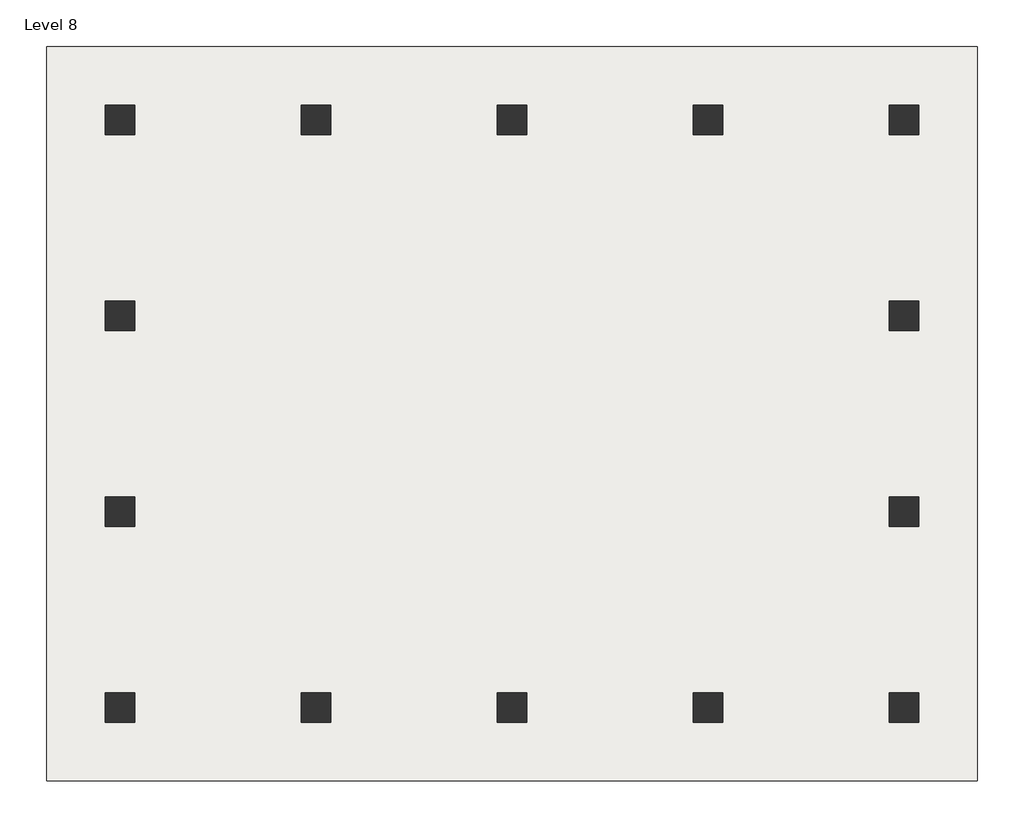
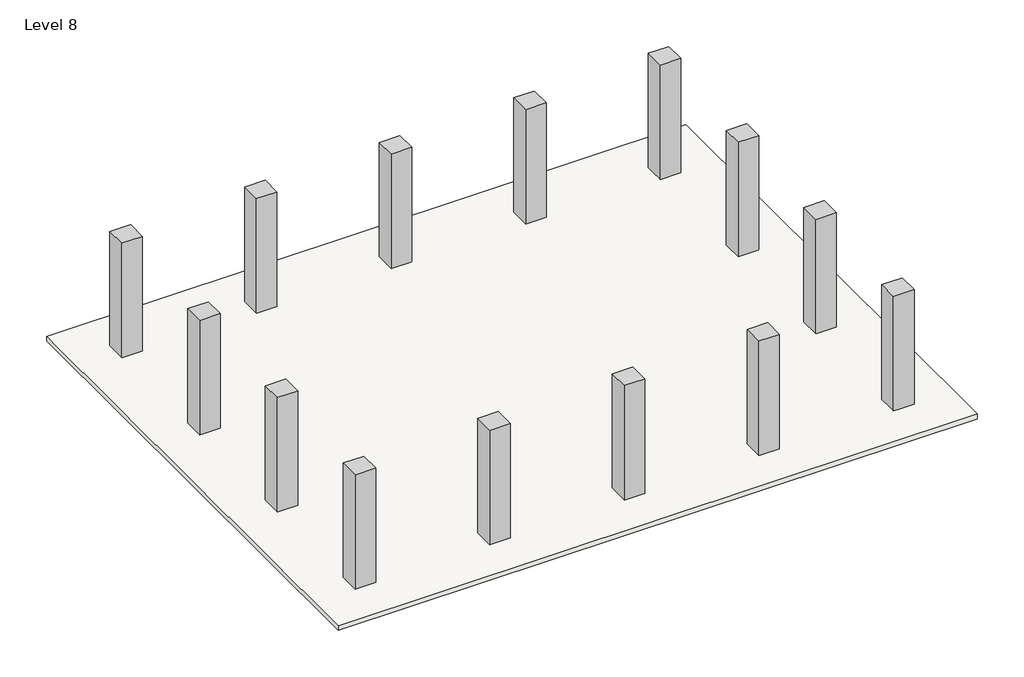
# One storey: 14 columns, 1 slab.
"""IFC4 building model written with IfcOpenShell, lengths in millimetres."""

from ifc_helpers import new_model, si_unit, frame, origin, place, context, project, spatial, polyline, outline, extrude, element, save

model = new_model("IFC4")

# Units and contexts
model_context = context("Model", 3, world=origin())
ifc_project = project(units=[si_unit("LENGTHUNIT", "METRE", prefix="MILLI")], contexts=[model_context])

# Site, building, storey
site = spatial("IfcSite", under=ifc_project)
building = spatial("IfcBuilding", under=site)
storey = spatial("IfcBuildingStorey", under=building, Name="Level 8", Elevation=27997.5633081)

# Columns
placement = place(None, origin())
element("IfcColumn", 1, ObjectType="M_Rectangular Column : 610 x 610mm", at=placement, inside=storey, context=model_context, shape_type="SweptSolid", body=[
    extrude(outline(polyline([(-5760.5268457, 4412.1335473), (-5760.5268457, 3802.1335473), (-6370.5268457, 3802.1335473), (-6370.5268457, 4412.1335473), (-5760.5268457, 4412.1335473)])), frame((0.0, 0.0, 27997.5633081), z_axis=(0.0, 0.0, 1.0), x_axis=(1.0, 0.0, 0.0)), (0.0, 0.0, 1.0), 3602.4366919),
])
element("IfcColumn", 2, ObjectType="M_Rectangular Column : 610 x 610mm", at=placement, inside=storey, context=model_context, shape_type="SweptSolid", body=[
    extrude(outline(polyline([(-1760.5268457, 4412.1335473), (-1760.5268457, 3802.1335473), (-2370.5268457, 3802.1335473), (-2370.5268457, 4412.1335473), (-1760.5268457, 4412.1335473)])), frame((0.0, 0.0, 27997.5633081), z_axis=(0.0, 0.0, 1.0), x_axis=(1.0, 0.0, 0.0)), (0.0, 0.0, 1.0), 3602.4366919),
])
element("IfcColumn", 3, ObjectType="M_Rectangular Column : 610 x 610mm", at=placement, inside=storey, context=model_context, shape_type="SweptSolid", body=[
    extrude(outline(polyline([(2239.4731543, 4412.1335473), (2239.4731543, 3802.1335473), (1629.4731543, 3802.1335473), (1629.4731543, 4412.1335473), (2239.4731543, 4412.1335473)])), frame((0.0, 0.0, 27997.5633081), z_axis=(0.0, 0.0, 1.0), x_axis=(1.0, 0.0, 0.0)), (0.0, 0.0, 1.0), 3602.4366919),
])
element("IfcColumn", 4, ObjectType="M_Rectangular Column : 610 x 610mm", at=placement, inside=storey, context=model_context, shape_type="SweptSolid", body=[
    extrude(outline(polyline([(6239.4731543, 4412.1335473), (6239.4731543, 3802.1335473), (5629.4731543, 3802.1335473), (5629.4731543, 4412.1335473), (6239.4731543, 4412.1335473)])), frame((0.0, 0.0, 27997.5633081), z_axis=(0.0, 0.0, 1.0), x_axis=(1.0, 0.0, 0.0)), (0.0, 0.0, 1.0), 3602.4366919),
])
element("IfcColumn", 5, ObjectType="M_Rectangular Column : 610 x 610mm", at=placement, inside=storey, context=model_context, shape_type="SweptSolid", body=[
    extrude(outline(polyline([(10239.4731543, 4412.1335473), (10239.4731543, 3802.1335473), (9629.4731543, 3802.1335473), (9629.4731543, 4412.1335473), (10239.4731543, 4412.1335473)])), frame((0.0, 0.0, 27997.5633081), z_axis=(0.0, 0.0, 1.0), x_axis=(1.0, 0.0, 0.0)), (0.0, 0.0, 1.0), 3602.4366919),
])
element("IfcColumn", 6, ObjectType="M_Rectangular Column : 610 x 610mm", at=placement, inside=storey, context=model_context, shape_type="SweptSolid", body=[
    extrude(outline(polyline([(10239.4731543, 412.1335473), (10239.4731543, -197.8664527), (9629.4731543, -197.8664527), (9629.4731543, 412.1335473), (10239.4731543, 412.1335473)])), frame((0.0, 0.0, 27997.5633081), z_axis=(0.0, 0.0, 1.0), x_axis=(1.0, 0.0, 0.0)), (0.0, 0.0, 1.0), 3602.4366919),
])
element("IfcColumn", 7, ObjectType="M_Rectangular Column : 610 x 610mm", at=placement, inside=storey, context=model_context, shape_type="SweptSolid", body=[
    extrude(outline(polyline([(10239.4731543, -3587.8664527), (10239.4731543, -4197.8664527), (9629.4731543, -4197.8664527), (9629.4731543, -3587.8664527), (10239.4731543, -3587.8664527)])), frame((0.0, 0.0, 27997.5633081), z_axis=(0.0, 0.0, 1.0), x_axis=(1.0, 0.0, 0.0)), (0.0, 0.0, 1.0), 3602.4366919),
])
element("IfcColumn", 8, ObjectType="M_Rectangular Column : 610 x 610mm", at=placement, inside=storey, context=model_context, shape_type="SweptSolid", body=[
    extrude(outline(polyline([(10239.4731543, -7587.8664527), (10239.4731543, -8197.8664527), (9629.4731543, -8197.8664527), (9629.4731543, -7587.8664527), (10239.4731543, -7587.8664527)])), frame((0.0, 0.0, 27997.5633081), z_axis=(0.0, 0.0, 1.0), x_axis=(1.0, 0.0, 0.0)), (0.0, 0.0, 1.0), 3602.4366919),
])
element("IfcColumn", 9, ObjectType="M_Rectangular Column : 610 x 610mm", at=placement, inside=storey, context=model_context, shape_type="SweptSolid", body=[
    extrude(outline(polyline([(6239.4731543, -7587.8664527), (6239.4731543, -8197.8664527), (5629.4731543, -8197.8664527), (5629.4731543, -7587.8664527), (6239.4731543, -7587.8664527)])), frame((0.0, 0.0, 27997.5633081), z_axis=(0.0, 0.0, 1.0), x_axis=(1.0, 0.0, 0.0)), (0.0, 0.0, 1.0), 3602.4366919),
])
element("IfcColumn", 10, ObjectType="M_Rectangular Column : 610 x 610mm", at=placement, inside=storey, context=model_context, shape_type="SweptSolid", body=[
    extrude(outline(polyline([(2239.4731543, -7587.8664527), (2239.4731543, -8197.8664527), (1629.4731543, -8197.8664527), (1629.4731543, -7587.8664527), (2239.4731543, -7587.8664527)])), frame((0.0, 0.0, 27997.5633081), z_axis=(0.0, 0.0, 1.0), x_axis=(1.0, 0.0, 0.0)), (0.0, 0.0, 1.0), 3602.4366919),
])
element("IfcColumn", 11, ObjectType="M_Rectangular Column : 610 x 610mm", at=placement, inside=storey, context=model_context, shape_type="SweptSolid", body=[
    extrude(outline(polyline([(-1760.5268457, -7587.8664527), (-1760.5268457, -8197.8664527), (-2370.5268457, -8197.8664527), (-2370.5268457, -7587.8664527), (-1760.5268457, -7587.8664527)])), frame((0.0, 0.0, 27997.5633081), z_axis=(0.0, 0.0, 1.0), x_axis=(1.0, 0.0, 0.0)), (0.0, 0.0, 1.0), 3602.4366919),
])
element("IfcColumn", 12, ObjectType="M_Rectangular Column : 610 x 610mm", at=placement, inside=storey, context=model_context, shape_type="SweptSolid", body=[
    extrude(outline(polyline([(-5760.5268457, -7587.8664527), (-5760.5268457, -8197.8664527), (-6370.5268457, -8197.8664527), (-6370.5268457, -7587.8664527), (-5760.5268457, -7587.8664527)])), frame((0.0, 0.0, 27997.5633081), z_axis=(0.0, 0.0, 1.0), x_axis=(1.0, 0.0, 0.0)), (0.0, 0.0, 1.0), 3602.4366919),
])
element("IfcColumn", 13, ObjectType="M_Rectangular Column : 610 x 610mm", at=placement, inside=storey, context=model_context, shape_type="SweptSolid", body=[
    extrude(outline(polyline([(-5760.5268457, -3587.8664527), (-5760.5268457, -4197.8664527), (-6370.5268457, -4197.8664527), (-6370.5268457, -3587.8664527), (-5760.5268457, -3587.8664527)])), frame((0.0, 0.0, 27997.5633081), z_axis=(0.0, 0.0, 1.0), x_axis=(1.0, 0.0, 0.0)), (0.0, 0.0, 1.0), 3602.4366919),
])
element("IfcColumn", 14, ObjectType="M_Rectangular Column : 610 x 610mm", at=placement, inside=storey, context=model_context, shape_type="SweptSolid", body=[
    extrude(outline(polyline([(-5760.5268457, 412.1335473), (-5760.5268457, -197.8664527), (-6370.5268457, -197.8664527), (-6370.5268457, 412.1335473), (-5760.5268457, 412.1335473)])), frame((0.0, 0.0, 27997.5633081), z_axis=(0.0, 0.0, 1.0), x_axis=(1.0, 0.0, 0.0)), (0.0, 0.0, 1.0), 3602.4366919),
])

# Slab
element("IfcSlab", 15, ObjectType="Generic 150mm", at=placement, inside=storey, context=model_context, shape_type="SweptSolid", body=[
    extrude(outline(polyline([(11434.4731543, 5607.1335473), (11434.4731543, -9392.8664527), (-7565.5268457, -9392.8664527), (-7565.5268457, 5607.1335473), (11434.4731543, 5607.1335473)])), frame((0.0, 0.0, 27847.5633081), z_axis=(0.0, 0.0, 1.0), x_axis=(1.0, 0.0, 0.0)), (0.0, 0.0, 1.0), 150.0),
])

save(model, "model.ifc")
